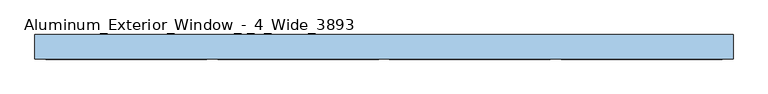
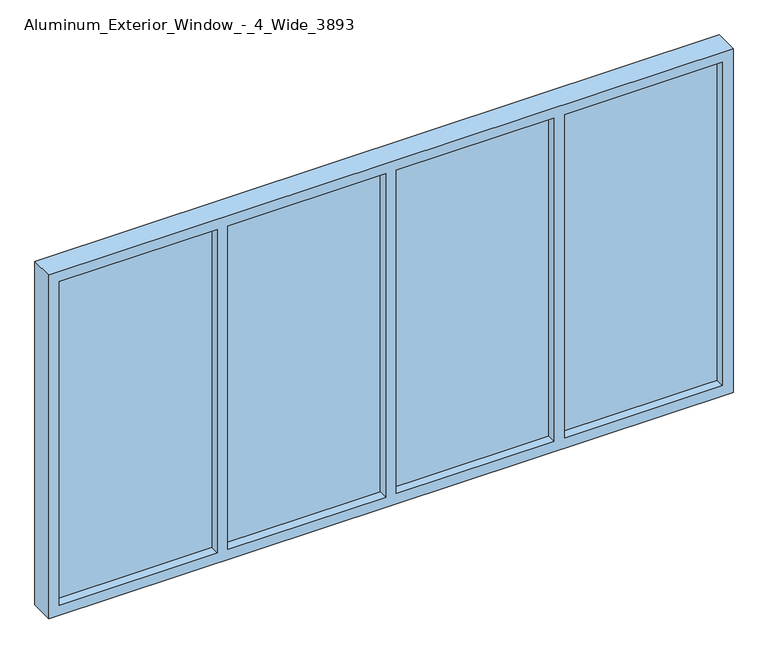
"""IFC4 building model written with IfcOpenShell, lengths in millimetres: window geometry, Aluminum_Exterior_Window_-_4_Wide_3893."""

from ifc_helpers import new_model, si_unit, frame, origin, place, context, project, spatial, polyline, outline, extrude, source, transform, mapped, element, save


def aluminum_exterior_window_4_wide_3893_fe511219(model_context):
    return source(origin(), model_context, "Body", "SweptSolid", [
        extrude(outline(polyline([(1121.8333333, 28.1450246), (1871.1333333, 28.1450246), (1871.1333333, 2.7450246), (1121.8333333, 2.7450246), (1121.8333333, 28.1450246)])), frame((0.0, 0.0, 956.6367551), z_axis=(0.0, 0.0, 1.0), x_axis=(1.0, 0.0, 0.0)), (0.0, 0.0, 1.0), 1625.6),
        extrude(outline(polyline([(-1278.4666667, 28.1450246), (-529.1666667, 28.1450246), (-529.1666667, 2.7450246), (-1278.4666667, 2.7450246), (-1278.4666667, 28.1450246)])), frame((0.0, 0.0, 956.6367551), z_axis=(0.0, 0.0, 1.0), x_axis=(1.0, 0.0, 0.0)), (0.0, 0.0, 1.0), 1625.6),
        extrude(outline(polyline([(321.7333333, 28.1450246), (1071.0333333, 28.1450246), (1071.0333333, 2.7450246), (321.7333333, 2.7450246), (321.7333333, 28.1450246)])), frame((0.0, 0.0, 956.6367551), z_axis=(0.0, 0.0, 1.0), x_axis=(1.0, 0.0, 0.0)), (0.0, 0.0, 1.0), 1625.6),
        extrude(outline(polyline([(-478.3666667, 28.1450246), (270.9333333, 28.1450246), (270.9333333, 2.7450246), (-478.3666667, 2.7450246), (-478.3666667, 28.1450246)])), frame((0.0, 0.0, 956.6367551), z_axis=(0.0, 0.0, 1.0), x_axis=(1.0, 0.0, 0.0)), (0.0, 0.0, 1.0), 1625.6),
        extrude(outline(polyline([(2633.0367551, -1329.2666667), (905.8367551, -1329.2666667), (905.8367551, 1921.9333333), (2633.0367551, 1921.9333333), (2633.0367551, -1329.2666667)]), holes=[polyline([(2582.2367551, 1121.8333333), (2582.2367551, 1871.1333333), (956.6367551, 1871.1333333), (956.6367551, 1121.8333333), (2582.2367551, 1121.8333333)]), polyline([(2582.2367551, -1278.4666667), (2582.2367551, -529.1666667), (956.6367551, -529.1666667), (956.6367551, -1278.4666667), (2582.2367551, -1278.4666667)]), polyline([(2582.2367551, 321.7333333), (2582.2367551, 1071.0333333), (956.6367551, 1071.0333333), (956.6367551, 321.7333333), (2582.2367551, 321.7333333)]), polyline([(2582.2367551, -478.3666667), (2582.2367551, 270.9333333), (956.6367551, 270.9333333), (956.6367551, -478.3666667), (2582.2367551, -478.3666667)])]), frame((0.0, -41.7049754, 0.0), z_axis=(0.0, 1.0, 0.0), x_axis=(0.0, 0.0, 1.0)), (0.0, 0.0, 1.0), 114.3),
    ])


if __name__ == "__main__":
    model = new_model("IFC4")
    model_context = context("Model", 3, world=origin())
    ifc_project = project(units=[si_unit("LENGTHUNIT", "METRE", prefix="MILLI")], contexts=[model_context])
    site = spatial("IfcSite", under=ifc_project)
    building = spatial("IfcBuilding", under=site)
    placement = place(None, origin())
    aluminum_exterior_window_4_wide_3893_shape = aluminum_exterior_window_4_wide_3893_fe511219(model_context)
    element("IfcWindow", 1, ObjectType="Aluminum_Exterior_Window_-_4_Wide_3893", at=placement, inside=building, context=model_context, shape_type="MappedRepresentation", body=[
        mapped(aluminum_exterior_window_4_wide_3893_shape, transform((0.0, 0.0, 0.0), x_axis=(1.0, 0.0, 0.0), y_axis=(0.0, 1.0, 0.0), z_axis=(0.0, 0.0, 1.0))),
    ])
    save(model, "model.ifc")
